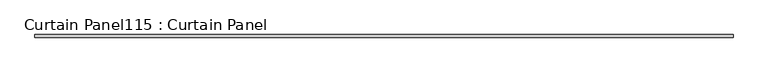
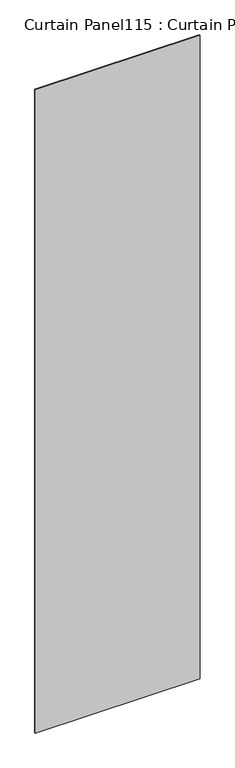
"""IFC4 building model written with IfcOpenShell, lengths in millimetres: plate geometry, Curtain Panel115 : Curtain Panel."""

from ifc_helpers import new_model, si_unit, frame, origin, place, context, project, spatial, polyline, outline, extrude, source, transform, mapped, element, save


def curtain_panel115_curtain_panel_839033ed(model_context):
    return source(origin(), model_context, "Body", "SweptSolid", [
        extrude(outline(polyline([(255274.7901593, 2350.9484836), (253783.7386393, 2350.9484836), (253783.7386393, 2357.2984836), (255274.7901593, 2357.2984836), (255274.7901593, 2350.9484836)])), frame((0.0, 0.0, 4914.2249337), z_axis=(0.0, 0.0, 1.0), x_axis=(1.0, 0.0, 0.0)), (0.0, 0.0, 1.0), 6150.8979519),
    ])


if __name__ == "__main__":
    model = new_model("IFC4")
    model_context = context("Model", 3, world=origin())
    ifc_project = project(units=[si_unit("LENGTHUNIT", "METRE", prefix="MILLI")], contexts=[model_context])
    site = spatial("IfcSite", under=ifc_project)
    building = spatial("IfcBuilding", under=site)
    placement = place(None, origin())
    curtain_panel115_curtain_panel_shape = curtain_panel115_curtain_panel_839033ed(model_context)
    element("IfcPlate", 1, ObjectType="Curtain Panel115 : Curtain Panel", at=placement, inside=building, context=model_context, shape_type="MappedRepresentation", body=[
        mapped(curtain_panel115_curtain_panel_shape, transform((0.0, 0.0, 0.0), x_axis=(1.0, 0.0, 0.0), y_axis=(0.0, 1.0, 0.0), z_axis=(0.0, 0.0, 1.0))),
    ])
    save(model, "model.ifc")
